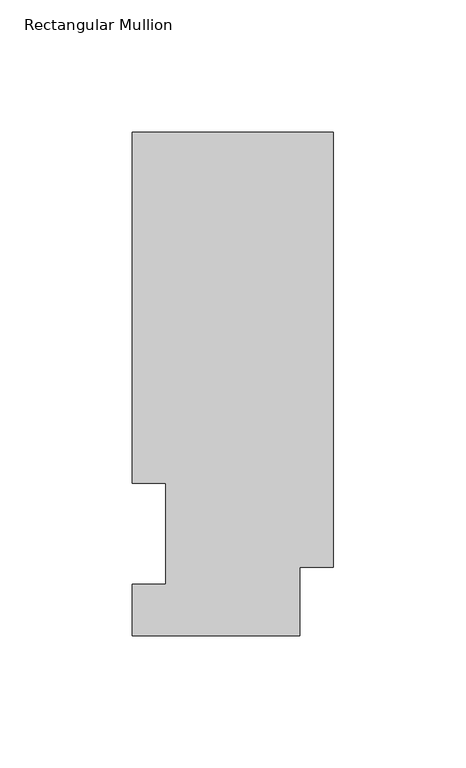
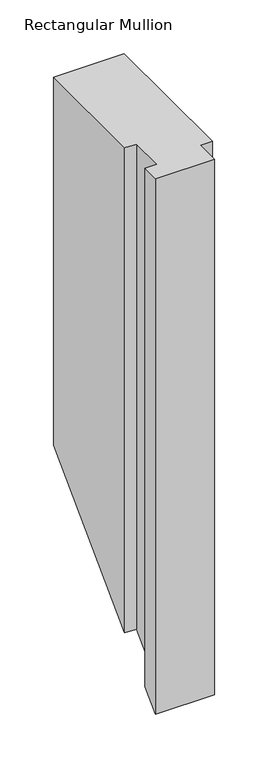
"""IFC4 building model written with IfcOpenShell, lengths in millimetres: member geometry, Rectangular Mullion."""

from ifc_helpers import new_model, si_unit, origin, place, context, project, spatial, faceted_brep, source, transform, mapped, element, save


def rectangular_mullion_f4eeea06(model_context):
    return source(origin(), model_context, "Body", "Brep", [
        faceted_brep([(0.0, 190.5896937, 0.0), (-76.2, 190.5896937, 0.0), (-76.2, 57.6460937, 0.0), (-63.5127, 57.6460937, 0.0), (-63.5127, 19.5460937, 0.0), (-76.2, 19.5460937, 0.0), (-76.2, 0.0134937, 0.0), (-12.7, 0.0134937, 0.0), (-12.7, 25.8960937, 0.0), (0.0, 25.8960937, 0.0), (0.0, 190.5896937, -419.0103062), (-76.2, 190.5896937, -419.0103062), (-76.2, 57.6460937, -551.9539062), (-63.5127, 57.6460937, -551.9539062), (-63.5127, 19.5460937, -590.0539062), (-76.2, 19.5460937, -590.0539062), (-76.2, 0.0134937, -609.5865062), (-12.7, 0.0134937, -609.5865062), (-12.7, 25.8960937, -583.7039063), (0.0, 25.8960937, -583.7039063)], [[[0, 1, 2, 3, 4, 5, 6, 7, 8, 9]], [[1, 0, 10, 11]], [[2, 1, 11, 12]], [[3, 2, 12, 13]], [[4, 3, 13, 14]], [[5, 4, 14, 15]], [[6, 5, 15, 16]], [[7, 6, 16, 17]], [[8, 7, 17, 18]], [[9, 8, 18, 19]], [[0, 9, 19, 10]], [[10, 19, 18, 17, 16, 15, 14, 13, 12, 11]]]),
    ])


if __name__ == "__main__":
    model = new_model("IFC4")
    model_context = context("Model", 3, world=origin())
    ifc_project = project(units=[si_unit("LENGTHUNIT", "METRE", prefix="MILLI")], contexts=[model_context])
    site = spatial("IfcSite", under=ifc_project)
    building = spatial("IfcBuilding", under=site)
    placement = place(None, origin())
    rectangular_mullion_shape = rectangular_mullion_f4eeea06(model_context)
    element("IfcMember", 1, ObjectType="Rectangular Mullion", at=placement, inside=building, context=model_context, shape_type="MappedRepresentation", body=[
        mapped(rectangular_mullion_shape, transform((0.0, 0.0, 0.0), x_axis=(1.0, 0.0, 0.0), y_axis=(0.0, 1.0, 0.0), z_axis=(0.0, 0.0, 1.0))),
    ])
    save(model, "model.ifc")
